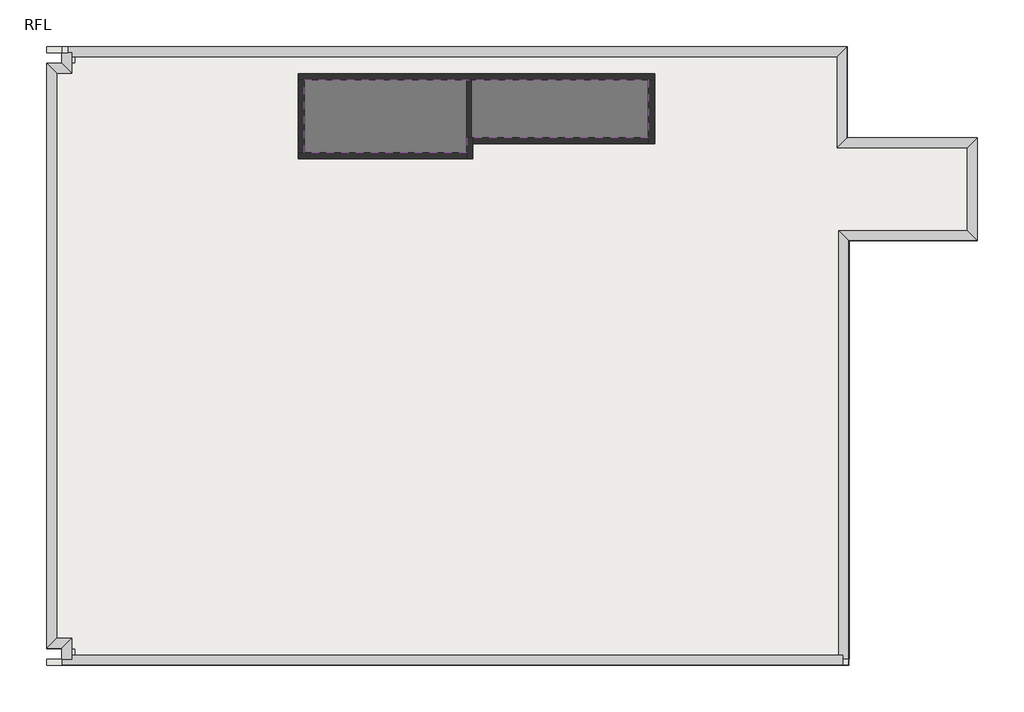
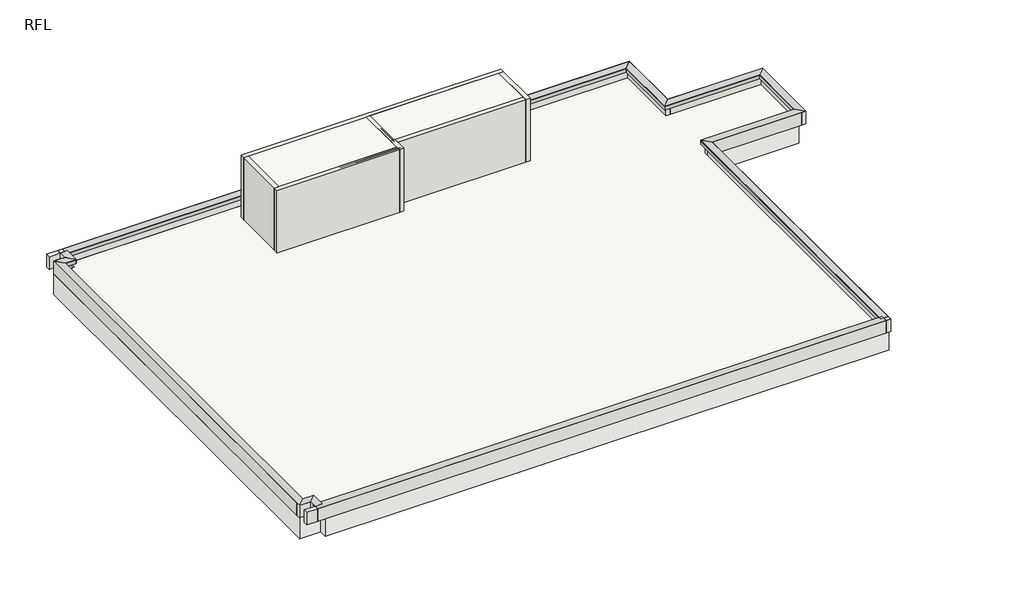
# One storey: 26 proxies, 21 walls, 2 slabs.
"""IFC4 building model written with IfcOpenShell, lengths in millimetres."""

from ifc_helpers import new_model, si_unit, frame, origin, place, context, project, spatial, polyline, outline, extrude, faceted_brep, element, save

model = new_model("IFC4")

# Units and contexts
model_context = context("Model", 3, world=origin())
ifc_project = project(units=[si_unit("LENGTHUNIT", "METRE", prefix="MILLI")], contexts=[model_context])

# Site, building, storey
site = spatial("IfcSite", under=ifc_project)
building = spatial("IfcBuilding", under=site)
storey = spatial("IfcBuildingStorey", under=building, Name="RFL", Elevation=32600.0)

# Proxies
placement = place(None, origin())
element("IfcBuildingElementProxy", 1, Name="Mass", at=placement, inside=storey, context=model_context, shape_type="SweptSolid", body=[
    extrude(outline(polyline([(-15395.9784025, 15749.6868987), (-15395.9784025, 13149.6868987), (-20945.9784025, 13149.6868987), (-20945.9784025, 15749.6868987), (-15395.9784025, 15749.6868987)])), frame((0.0, 0.0, 32600.0), z_axis=(0.0, 0.0, 1.0), x_axis=(1.0, 0.0, 0.0)), (0.0, 0.0, 1.0), 3000.0),
])
element("IfcBuildingElementProxy", 2, Name="Mass", at=placement, inside=storey, context=model_context, shape_type="SweptSolid", body=[
    extrude(outline(polyline([(-9395.9784025, 15749.6868987), (-9395.9784025, 13649.6868987), (-15395.9784025, 13649.6868987), (-15395.9784025, 15749.6868987), (-9395.9784025, 15749.6868987)])), frame((0.0, 0.0, 32600.0), z_axis=(0.0, 0.0, 1.0), x_axis=(1.0, 0.0, 0.0)), (0.0, 0.0, 1.0), 3000.0),
])
element("IfcBuildingElementProxy", 3, Name="Reveals", at=placement, inside=storey, context=model_context, shape_type="Brep", body=[
    faceted_brep([(-3275.9784025, 16419.6868987, 33170.0), (-3275.9784025, 16419.6868987, 33200.0), (-2945.9784025, 16749.6868987, 33200.0), (-3275.9784025, 13419.6868987, 33170.0), (-2945.9784025, 13749.6868987, 33200.0), (-3275.9784025, 13419.6868987, 33200.0)], [[[0, 1, 2]], [[3, 4, 5]], [[1, 0, 3, 5]], [[2, 1, 5, 4]], [[0, 2, 4, 3]]]),
])
element("IfcBuildingElementProxy", 4, Name="Wall Sweeps", at=placement, inside=storey, context=model_context, shape_type="Brep", body=[
    faceted_brep([(-3275.9784025, 16419.6868987, 33010.0), (-3275.9784025, 16419.6868987, 33170.0), (-2945.9784025, 16749.6868987, 33200.0), (-3145.9784025, 16549.6868987, 33010.0), (-3275.9784025, 13419.6868987, 33010.0), (-3145.9784025, 13549.6868987, 33010.0), (-2945.9784025, 13749.6868987, 33200.0), (-3275.9784025, 13419.6868987, 33170.0)], [[[0, 1, 2, 3]], [[4, 5, 6, 7]], [[1, 0, 4, 7]], [[2, 1, 7, 6]], [[3, 2, 6, 5]], [[0, 3, 5, 4]]]),
])
element("IfcBuildingElementProxy", 5, Name="Reveals", at=placement, inside=storey, context=model_context, shape_type="Brep", body=[
    faceted_brep([(-3275.9784025, 13419.6868987, 33170.0), (-3275.9784025, 13419.6868987, 33200.0), (-2945.9784025, 13749.6868987, 33200.0), (1024.0215975, 13419.6868987, 33170.0), (1354.0215975, 13749.6868987, 33200.0), (1024.0215975, 13419.6868987, 33200.0)], [[[0, 1, 2]], [[3, 4, 5]], [[1, 0, 3, 5]], [[2, 1, 5, 4]], [[0, 2, 4, 3]]]),
])
element("IfcBuildingElementProxy", 6, Name="Wall Sweeps", at=placement, inside=storey, context=model_context, shape_type="Brep", body=[
    faceted_brep([(-3275.9784025, 13419.6868987, 33010.0), (-3275.9784025, 13419.6868987, 33170.0), (-2945.9784025, 13749.6868987, 33200.0), (-3145.9784025, 13549.6868987, 33010.0), (1024.0215975, 13419.6868987, 33010.0), (1154.0215975, 13549.6868987, 33010.0), (1354.0215975, 13749.6868987, 33200.0), (1024.0215975, 13419.6868987, 33170.0)], [[[0, 1, 2, 3]], [[4, 5, 6, 7]], [[1, 0, 4, 7]], [[2, 1, 7, 6]], [[3, 2, 6, 5]], [[0, 3, 5, 4]]]),
])
element("IfcBuildingElementProxy", 7, Name="Reveals", at=placement, inside=storey, context=model_context, shape_type="Brep", body=[
    faceted_brep([(1024.0215975, 13419.6868987, 33170.0), (1024.0215975, 13419.6868987, 33200.0), (1354.0215975, 13749.6868987, 33200.0), (1024.0215975, 10679.6868987, 33170.0), (1354.0215975, 10349.6868987, 33200.0), (1024.0215975, 10679.6868987, 33200.0)], [[[0, 1, 2]], [[3, 4, 5]], [[1, 0, 3, 5]], [[2, 1, 5, 4]], [[0, 2, 4, 3]]]),
])
element("IfcBuildingElementProxy", 8, Name="Wall Sweeps", at=placement, inside=storey, context=model_context, shape_type="Brep", body=[
    faceted_brep([(1024.0215975, 13419.6868987, 33010.0), (1024.0215975, 13419.6868987, 33170.0), (1354.0215975, 13749.6868987, 33200.0), (1154.0215975, 13549.6868987, 33010.0), (1024.0215975, 10679.6868987, 33010.0), (1154.0215975, 10549.6868987, 33010.0), (1354.0215975, 10349.6868987, 33200.0), (1024.0215975, 10679.6868987, 33170.0)], [[[0, 1, 2, 3]], [[4, 5, 6, 7]], [[1, 0, 4, 7]], [[2, 1, 7, 6]], [[3, 2, 6, 5]], [[0, 3, 5, 4]]]),
])
element("IfcBuildingElementProxy", 9, Name="Reveals", at=placement, inside=storey, context=model_context, shape_type="Brep", body=[
    faceted_brep([(1024.0215975, 10679.6868987, 33170.0), (1024.0215975, 10679.6868987, 33200.0), (1354.0215975, 10349.6868987, 33200.0), (-3225.9784025, 10679.6868987, 33170.0), (-2895.9784025, 10349.6868987, 33200.0), (-3225.9784025, 10679.6868987, 33200.0)], [[[0, 1, 2]], [[3, 4, 5]], [[1, 0, 3, 5]], [[2, 1, 5, 4]], [[0, 2, 4, 3]]]),
])
element("IfcBuildingElementProxy", 10, Name="Wall Sweeps", at=placement, inside=storey, context=model_context, shape_type="Brep", body=[
    faceted_brep([(1024.0215975, 10679.6868987, 33010.0), (1024.0215975, 10679.6868987, 33170.0), (1354.0215975, 10349.6868987, 33200.0), (1154.0215975, 10549.6868987, 33010.0), (-3225.9784025, 10679.6868987, 33010.0), (-3095.9784025, 10549.6868987, 33010.0), (-2895.9784025, 10349.6868987, 33200.0), (-3225.9784025, 10679.6868987, 33170.0)], [[[0, 1, 2, 3]], [[4, 5, 6, 7]], [[1, 0, 4, 7]], [[2, 1, 7, 6]], [[3, 2, 6, 5]], [[0, 3, 5, 4]]]),
])
element("IfcBuildingElementProxy", 11, Name="Reveals", at=placement, inside=storey, context=model_context, shape_type="Brep", body=[
    faceted_brep([(-3225.9784025, 10679.6868987, 33170.0), (-3225.9784025, 10679.6868987, 33200.0), (-2895.9784025, 10349.6868987, 33200.0), (-3225.9784025, -3450.3131013, 33170.0), (-2895.9784025, -3450.3131013, 33200.0), (-3225.9784025, -3450.3131013, 33200.0)], [[[0, 1, 2]], [[3, 4, 5]], [[1, 0, 3, 5]], [[2, 1, 5, 4]], [[0, 2, 4, 3]]]),
])
element("IfcBuildingElementProxy", 12, Name="Wall Sweeps", at=placement, inside=storey, context=model_context, shape_type="Brep", body=[
    faceted_brep([(-3225.9784025, 10679.6868987, 33010.0), (-3225.9784025, 10679.6868987, 33170.0), (-2895.9784025, 10349.6868987, 33200.0), (-3095.9784025, 10549.6868987, 33010.0), (-3225.9784025, -3320.3131013, 33010.0), (-3095.9784025, -3450.3131013, 33010.0), (-2895.9784025, -3650.3131013, 33200.0), (-3225.9784025, -3320.3131013, 33170.0), (-2895.9784025, -3450.3131013, 33200.0)], [[[0, 1, 2, 3]], [[4, 5, 6, 7]], [[1, 0, 4, 7]], [[2, 1, 7, 6, 8]], [[3, 2, 8, 6, 5]], [[0, 3, 5, 4]]]),
])
element("IfcBuildingElementProxy", 13, Name="Reveals", at=placement, inside=storey, context=model_context, shape_type="SweptSolid", body=[
    extrude(outline(polyline([(-3320.3131013, 33170.0), (-3650.3131013, 33200.0), (-3320.3131013, 33200.0), (-3320.3131013, 33170.0)])), frame((-28845.9784025, 0.0, 0.0), z_axis=(1.0, 0.0, 0.0), x_axis=(0.0, 1.0, 0.0)), (0.0, 0.0, 1.0), 25750.0),
])
element("IfcBuildingElementProxy", 14, Name="Wall Sweeps", at=placement, inside=storey, context=model_context, shape_type="Brep", body=[
    faceted_brep([(-3225.9784025, -3320.3131013, 33010.0), (-3225.9784025, -3320.3131013, 33170.0), (-2895.9784025, -3650.3131013, 33200.0), (-3095.9784025, -3450.3131013, 33010.0), (-28515.9784025, -3320.3131013, 33010.0), (-28645.9784025, -3450.3131013, 33010.0), (-28845.9784025, -3650.3131013, 33200.0), (-28515.9784025, -3320.3131013, 33170.0)], [[[0, 1, 2, 3]], [[4, 5, 6, 7]], [[1, 0, 4, 7]], [[2, 1, 7, 6]], [[3, 2, 6, 5]], [[0, 3, 5, 4]]]),
])
element("IfcBuildingElementProxy", 15, Name="Reveals", at=placement, inside=storey, context=model_context, shape_type="Brep", body=[
    faceted_brep([(-28515.9784025, -3450.3131013, 33170.0), (-28515.9784025, -3450.3131013, 33200.0), (-28845.9784025, -3450.3131013, 33200.0), (-28515.9784025, -2765.3131013, 33170.0), (-28845.9784025, -3095.3131013, 33200.0), (-28515.9784025, -2765.3131013, 33200.0)], [[[0, 1, 2]], [[3, 4, 5]], [[1, 0, 3, 5]], [[2, 1, 5, 4]], [[0, 2, 4, 3]]]),
])
element("IfcBuildingElementProxy", 16, Name="Wall Sweeps", at=placement, inside=storey, context=model_context, shape_type="Brep", body=[
    faceted_brep([(-28515.9784025, -3320.3131013, 33010.0), (-28515.9784025, -3320.3131013, 33170.0), (-28845.9784025, -3650.3131013, 33200.0), (-28645.9784025, -3450.3131013, 33010.0), (-28515.9784025, -2765.3131013, 33010.0), (-28645.9784025, -2895.3131013, 33010.0), (-28845.9784025, -3095.3131013, 33200.0), (-28515.9784025, -2765.3131013, 33170.0)], [[[0, 1, 2, 3]], [[4, 5, 6, 7]], [[1, 0, 4, 7]], [[2, 1, 7, 6]], [[3, 2, 6, 5]], [[0, 3, 5, 4]]]),
])
element("IfcBuildingElementProxy", 17, Name="Reveals", at=placement, inside=storey, context=model_context, shape_type="Brep", body=[
    faceted_brep([(-28515.9784025, -2765.3131013, 33170.0), (-28515.9784025, -2765.3131013, 33200.0), (-28845.9784025, -3095.3131013, 33200.0), (-29015.9784025, -2765.3131013, 33170.0), (-29345.9784025, -3095.3131013, 33200.0), (-29015.9784025, -2765.3131013, 33200.0)], [[[0, 1, 2]], [[3, 4, 5]], [[1, 0, 3, 5]], [[2, 1, 5, 4]], [[0, 2, 4, 3]]]),
])
element("IfcBuildingElementProxy", 18, Name="Wall Sweeps", at=placement, inside=storey, context=model_context, shape_type="Brep", body=[
    faceted_brep([(-28515.9784025, -2765.3131013, 33010.0), (-28515.9784025, -2765.3131013, 33170.0), (-28845.9784025, -3095.3131013, 33200.0), (-28645.9784025, -2895.3131013, 33010.0), (-29015.9784025, -2765.3131013, 33010.0), (-29145.9784025, -2895.3131013, 33010.0), (-29345.9784025, -3095.3131013, 33200.0), (-29015.9784025, -2765.3131013, 33170.0)], [[[0, 1, 2, 3]], [[4, 5, 6, 7]], [[1, 0, 4, 7]], [[2, 1, 7, 6]], [[3, 2, 6, 5]], [[0, 3, 5, 4]]]),
])
element("IfcBuildingElementProxy", 19, Name="Reveals", at=placement, inside=storey, context=model_context, shape_type="Brep", body=[
    faceted_brep([(-29015.9784025, -2765.3131013, 33170.0), (-29015.9784025, -2765.3131013, 33200.0), (-29345.9784025, -3095.3131013, 33200.0), (-29015.9784025, 15869.6868987, 33170.0), (-29345.9784025, 16199.6868987, 33200.0), (-29015.9784025, 15869.6868987, 33200.0)], [[[0, 1, 2]], [[3, 4, 5]], [[1, 0, 3, 5]], [[2, 1, 5, 4]], [[0, 2, 4, 3]]]),
])
element("IfcBuildingElementProxy", 20, Name="Wall Sweeps", at=placement, inside=storey, context=model_context, shape_type="Brep", body=[
    faceted_brep([(-29015.9784025, -2765.3131013, 33010.0), (-29015.9784025, -2765.3131013, 33170.0), (-29345.9784025, -3095.3131013, 33200.0), (-29145.9784025, -2895.3131013, 33010.0), (-29015.9784025, 15869.6868987, 33010.0), (-29145.9784025, 15999.6868987, 33010.0), (-29345.9784025, 16199.6868987, 33200.0), (-29015.9784025, 15869.6868987, 33170.0)], [[[0, 1, 2, 3]], [[4, 5, 6, 7]], [[1, 0, 4, 7]], [[2, 1, 7, 6]], [[3, 2, 6, 5]], [[0, 3, 5, 4]]]),
])
element("IfcBuildingElementProxy", 21, Name="Reveals", at=placement, inside=storey, context=model_context, shape_type="Brep", body=[
    faceted_brep([(-29015.9784025, 15869.6868987, 33170.0), (-29015.9784025, 15869.6868987, 33200.0), (-29345.9784025, 16199.6868987, 33200.0), (-28515.9784025, 15869.6868987, 33170.0), (-28845.9784025, 16199.6868987, 33200.0), (-28515.9784025, 15869.6868987, 33200.0)], [[[0, 1, 2]], [[3, 4, 5]], [[1, 0, 3, 5]], [[2, 1, 5, 4]], [[0, 2, 4, 3]]]),
])
element("IfcBuildingElementProxy", 22, Name="Wall Sweeps", at=placement, inside=storey, context=model_context, shape_type="Brep", body=[
    faceted_brep([(-29015.9784025, 15869.6868987, 33010.0), (-29015.9784025, 15869.6868987, 33170.0), (-29345.9784025, 16199.6868987, 33200.0), (-29145.9784025, 15999.6868987, 33010.0), (-28515.9784025, 15869.6868987, 33010.0), (-28645.9784025, 15999.6868987, 33010.0), (-28845.9784025, 16199.6868987, 33200.0), (-28515.9784025, 15869.6868987, 33170.0)], [[[0, 1, 2, 3]], [[4, 5, 6, 7]], [[1, 0, 4, 7]], [[2, 1, 7, 6]], [[3, 2, 6, 5]], [[0, 3, 5, 4]]]),
])
element("IfcBuildingElementProxy", 23, Name="Reveals", at=placement, inside=storey, context=model_context, shape_type="Brep", body=[
    faceted_brep([(-28515.9784025, 15869.6868987, 33170.0), (-28515.9784025, 15869.6868987, 33200.0), (-28845.9784025, 16199.6868987, 33200.0), (-28515.9784025, 16549.6868987, 33170.0), (-28845.9784025, 16549.6868987, 33200.0), (-28515.9784025, 16549.6868987, 33200.0)], [[[0, 1, 2]], [[3, 4, 5]], [[1, 0, 3, 5]], [[2, 1, 5, 4]], [[0, 2, 4, 3]]]),
])
element("IfcBuildingElementProxy", 24, Name="Wall Sweeps", at=placement, inside=storey, context=model_context, shape_type="Brep", body=[
    faceted_brep([(-28515.9784025, 15869.6868987, 33010.0), (-28515.9784025, 15869.6868987, 33170.0), (-28845.9784025, 16199.6868987, 33200.0), (-28645.9784025, 15999.6868987, 33010.0), (-28515.9784025, 16419.6868987, 33010.0), (-28645.9784025, 16549.6868987, 33010.0), (-28845.9784025, 16749.6868987, 33200.0), (-28515.9784025, 16419.6868987, 33170.0), (-28845.9784025, 16549.6868987, 33200.0)], [[[0, 1, 2, 3]], [[4, 5, 6, 7]], [[1, 0, 4, 7]], [[2, 1, 7, 6, 8]], [[3, 2, 8, 6, 5]], [[0, 3, 5, 4]]]),
])
element("IfcBuildingElementProxy", 25, Name="Reveals", at=placement, inside=storey, context=model_context, shape_type="Brep", body=[
    faceted_brep([(-28645.9784025, 16419.6868987, 33170.0), (-28645.9784025, 16419.6868987, 33200.0), (-28645.9784025, 16749.6868987, 33200.0), (-3275.9784025, 16419.6868987, 33170.0), (-2945.9784025, 16749.6868987, 33200.0), (-3275.9784025, 16419.6868987, 33200.0)], [[[0, 1, 2]], [[3, 4, 5]], [[1, 0, 3, 5]], [[2, 1, 5, 4]], [[0, 2, 4, 3]]]),
])
element("IfcBuildingElementProxy", 26, Name="Wall Sweeps", at=placement, inside=storey, context=model_context, shape_type="Brep", body=[
    faceted_brep([(-28515.9784025, 16419.6868987, 33010.0), (-28515.9784025, 16419.6868987, 33170.0), (-28845.9784025, 16749.6868987, 33200.0), (-28645.9784025, 16549.6868987, 33010.0), (-3275.9784025, 16419.6868987, 33010.0), (-3145.9784025, 16549.6868987, 33010.0), (-2945.9784025, 16749.6868987, 33200.0), (-3275.9784025, 16419.6868987, 33170.0)], [[[0, 1, 2, 3]], [[4, 5, 6, 7]], [[1, 0, 4, 7]], [[2, 1, 7, 6]], [[3, 2, 6, 5]], [[0, 3, 5, 4]]]),
])

# Slabs
element("IfcSlab", 27, at=placement, inside=storey, context=model_context, shape_type="SweptSolid", body=[
    extrude(outline(polyline([(-3145.9784025, 16549.6868987), (-3145.9784025, 13549.6868987), (1154.0215975, 13549.6868987), (1154.0215975, 10549.6868987), (-2870.9784025, 10549.6868987), (-2870.9784025, -3450.3131013), (-28395.9784025, -3450.3131013), (-28395.9784025, -3105.3131013), (-29345.9784025, -3105.3131013), (-29345.9784025, 16194.6868987), (-28395.9784025, 16194.6868987), (-28395.9784025, 16549.6868987), (-3145.9784025, 16549.6868987)])), frame((0.0, 0.0, 31600.0), z_axis=(0.0, 0.0, 1.0), x_axis=(1.0, 0.0, 0.0)), (0.0, 0.0, 1.0), 1000.0),
])
element("IfcSlab", 28, ObjectType="RC150", at=placement, inside=storey, context=model_context, shape_type="SweptSolid", body=[
    extrude(outline(polyline([(-9495.9784025, 15649.6868987), (-9495.9784025, 13749.6868987), (-15495.9784025, 13749.6868987), (-15495.9784025, 13249.6868987), (-20845.9784025, 13249.6868987), (-20845.9784025, 15649.6868987), (-9495.9784025, 15649.6868987)])), frame((0.0, 0.0, 35450.0), z_axis=(0.0, 0.0, 1.0), x_axis=(1.0, 0.0, 0.0)), (0.0, 0.0, 1.0), 150.0),
])

# Walls
element("IfcWall", 29, at=placement, inside=storey, context=model_context, shape_type="Brep", body=[
    faceted_brep([(-21045.9784025, 15649.6868987, 32600.0), (-20845.9784025, 15649.6868987, 32600.0), (-15495.9784025, 15649.6868987, 32600.0), (-15345.9784025, 15649.6868987, 32600.0), (-9495.9784025, 15649.6868987, 32600.0), (-9295.9784025, 15649.6868987, 32600.0), (-9295.9784025, 15649.6868987, 35600.0), (-9495.9784025, 15649.6868987, 35600.0), (-15345.9784025, 15649.6868987, 35600.0), (-15495.9784025, 15649.6868987, 35600.0), (-20845.9784025, 15649.6868987, 35600.0), (-21045.9784025, 15649.6868987, 35600.0), (-21045.9784025, 15849.6868987, 32600.0), (-21045.9784025, 15849.6868987, 35600.0), (-9295.9784025, 15849.6868987, 35600.0), (-9295.9784025, 15849.6868987, 32600.0)], [[[0, 1, 2, 3, 4, 5, 6, 7, 8, 9, 10, 11]], [[12, 13, 14, 15]], [[5, 4, 3, 2, 1, 0, 12, 15]], [[11, 10, 9, 8, 7, 6, 14, 13]], [[6, 5, 15, 14]], [[0, 11, 13, 12]]]),
])
element("IfcWall", 30, at=placement, inside=storey, context=model_context, shape_type="Brep", body=[
    faceted_brep([(-9495.9784025, 15649.6868987, 32600.0), (-9495.9784025, 13749.6868987, 32600.0), (-9495.9784025, 13549.6868987, 32600.0), (-9495.9784025, 13549.6868987, 35600.0), (-9495.9784025, 13749.6868987, 35600.0), (-9495.9784025, 15649.6868987, 35600.0), (-9295.9784025, 15649.6868987, 32600.0), (-9295.9784025, 15649.6868987, 35600.0), (-9295.9784025, 13549.6868987, 35600.0), (-9295.9784025, 13549.6868987, 32600.0)], [[[0, 1, 2, 3, 4, 5]], [[6, 7, 8, 9]], [[2, 1, 0, 6, 9]], [[5, 4, 3, 8, 7]], [[0, 5, 7, 6]], [[3, 2, 9, 8]]]),
])
element("IfcWall", 31, at=placement, inside=storey, context=model_context, shape_type="SweptSolid", body=[
    extrude(outline(polyline([(-15295.9784025, 13749.6868987), (-9495.9784025, 13749.6868987), (-9495.9784025, 13549.6868987), (-15295.9784025, 13549.6868987), (-15295.9784025, 13749.6868987)])), frame((0.0, 0.0, 32600.0), z_axis=(0.0, 0.0, 1.0), x_axis=(1.0, 0.0, 0.0)), (0.0, 0.0, 1.0), 3000.0),
])
element("IfcWall", 32, at=placement, inside=storey, context=model_context, shape_type="Brep", body=[
    faceted_brep([(-15495.9784025, 13749.6868987, 32600.0), (-15495.9784025, 13249.6868987, 32600.0), (-15495.9784025, 13049.6868987, 32600.0), (-15495.9784025, 13049.6868987, 35600.0), (-15495.9784025, 13249.6868987, 35600.0), (-15495.9784025, 13749.6868987, 35600.0), (-15295.9784025, 13749.6868987, 32600.0), (-15295.9784025, 13749.6868987, 35600.0), (-15295.9784025, 13549.6868987, 35600.0), (-15295.9784025, 13049.6868987, 35600.0), (-15295.9784025, 13049.6868987, 32600.0), (-15295.9784025, 13549.6868987, 32600.0), (-15345.9784025, 13749.6868987, 32600.0), (-15345.9784025, 13749.6868987, 35600.0)], [[[0, 1, 2, 3, 4, 5]], [[6, 7, 8, 9, 10, 11]], [[2, 1, 0, 12, 6, 11, 10]], [[5, 4, 3, 9, 8, 7, 13]], [[0, 5, 13, 7, 6, 12]], [[3, 2, 10, 9]]]),
])
element("IfcWall", 33, at=placement, inside=storey, context=model_context, shape_type="Brep", body=[
    faceted_brep([(-15495.9784025, 13249.6868987, 32600.0), (-20845.9784025, 13249.6868987, 32600.0), (-21045.9784025, 13249.6868987, 32600.0), (-21045.9784025, 13249.6868987, 35600.0), (-20845.9784025, 13249.6868987, 35600.0), (-15495.9784025, 13249.6868987, 35600.0), (-15495.9784025, 13049.6868987, 32600.0), (-15495.9784025, 13049.6868987, 35600.0), (-21045.9784025, 13049.6868987, 35600.0), (-21045.9784025, 13049.6868987, 32600.0)], [[[0, 1, 2, 3, 4, 5]], [[6, 7, 8, 9]], [[2, 1, 0, 6, 9]], [[5, 4, 3, 8, 7]], [[0, 5, 7, 6]], [[3, 2, 9, 8]]]),
])
element("IfcWall", 34, at=placement, inside=storey, context=model_context, shape_type="SweptSolid", body=[
    extrude(outline(polyline([(-20845.9784025, 15649.6868987), (-20845.9784025, 13249.6868987), (-21045.9784025, 13249.6868987), (-21045.9784025, 15649.6868987), (-20845.9784025, 15649.6868987)])), frame((0.0, 0.0, 32600.0), z_axis=(0.0, 0.0, 1.0), x_axis=(1.0, 0.0, 0.0)), (0.0, 0.0, 1.0), 3000.0),
])
element("IfcWall", 35, at=placement, inside=storey, context=model_context, shape_type="SweptSolid", body=[
    extrude(outline(polyline([(-15345.9784025, 15649.6868987), (-15345.9784025, 13749.6868987), (-15495.9784025, 13749.6868987), (-15495.9784025, 15649.6868987), (-15345.9784025, 15649.6868987)])), frame((0.0, 0.0, 32600.0), z_axis=(0.0, 0.0, 1.0), x_axis=(1.0, 0.0, 0.0)), (0.0, 0.0, 1.0), 3000.0),
])
element("IfcWall", 36, at=placement, inside=storey, context=model_context, shape_type="SweptSolid", body=[
    extrude(outline(polyline([(-28845.9784025, 16549.6868987), (-29345.9784025, 16549.6868987), (-29345.9784025, 16749.6868987), (-28845.9784025, 16749.6868987), (-28845.9784025, 16549.6868987)])), frame((0.0, 0.0, 32600.0), z_axis=(0.0, 0.0, 1.0), x_axis=(1.0, 0.0, 0.0)), (0.0, 0.0, 1.0), 600.0),
])
element("IfcWall", 37, at=placement, inside=storey, context=model_context, shape_type="Brep", body=[
    faceted_brep([(-3145.9784025, 16549.6868987, 32600.0), (-3145.9784025, 13549.6868987, 32600.0), (-3145.9784025, 13549.6868987, 33010.0), (-3145.9784025, 16549.6868987, 33010.0), (-2945.9784025, 13549.6868987, 32600.0), (-2945.9784025, 13749.6868987, 32600.0), (-2945.9784025, 16549.6868987, 32600.0), (-2945.9784025, 16549.6868987, 33200.0), (-2945.9784025, 13749.6868987, 33200.0), (-2945.9784025, 13549.6868987, 33010.0)], [[[0, 1, 2, 3]], [[4, 5, 6, 7, 8, 9]], [[1, 0, 6, 5, 4]], [[2, 8, 7, 3]], [[7, 6, 0, 3]], [[1, 4, 9, 2]], [[8, 2, 9]]]),
])
element("IfcWall", 38, at=placement, inside=storey, context=model_context, shape_type="Brep", body=[
    faceted_brep([(-2945.9784025, 13549.6868987, 32600.0), (1154.0215975, 13549.6868987, 32600.0), (1354.0215975, 13549.6868987, 32600.0), (1354.0215975, 13549.6868987, 33200.0), (1154.0215975, 13549.6868987, 33010.0), (-2945.9784025, 13549.6868987, 33010.0), (1354.0215975, 13749.6868987, 32600.0), (-2945.9784025, 13749.6868987, 32600.0), (-2945.9784025, 13749.6868987, 33200.0), (1354.0215975, 13749.6868987, 33200.0)], [[[0, 1, 2, 3, 4, 5]], [[6, 7, 8, 9]], [[2, 1, 0, 7, 6]], [[4, 9, 8, 5]], [[8, 7, 0, 5]], [[3, 2, 6, 9]], [[9, 4, 3]]]),
])
element("IfcWall", 39, at=placement, inside=storey, context=model_context, shape_type="Brep", body=[
    faceted_brep([(1154.0215975, 13549.6868987, 32600.0), (1154.0215975, 10549.6868987, 32600.0), (1154.0215975, 10349.6868987, 32600.0), (1154.0215975, 10349.6868987, 33200.0), (1154.0215975, 10549.6868987, 33010.0), (1154.0215975, 13549.6868987, 33010.0), (1354.0215975, 10349.6868987, 32600.0), (1354.0215975, 13549.6868987, 32600.0), (1354.0215975, 13549.6868987, 33200.0), (1354.0215975, 10349.6868987, 33200.0)], [[[0, 1, 2, 3, 4, 5]], [[6, 7, 8, 9]], [[2, 1, 0, 7, 6]], [[4, 9, 8, 5]], [[8, 7, 0, 5]], [[3, 2, 6, 9]], [[9, 4, 3]]]),
])
element("IfcWall", 40, at=placement, inside=storey, context=model_context, shape_type="Brep", body=[
    faceted_brep([(1154.0215975, 10549.6868987, 32600.0), (-3095.9784025, 10549.6868987, 32600.0), (-3095.9784025, 10549.6868987, 33010.0), (1154.0215975, 10549.6868987, 33010.0), (-3095.9784025, 10349.6868987, 32600.0), (-2895.9784025, 10349.6868987, 32600.0), (1154.0215975, 10349.6868987, 32600.0), (1154.0215975, 10349.6868987, 33200.0), (-2895.9784025, 10349.6868987, 33200.0), (-3095.9784025, 10349.6868987, 33010.0)], [[[0, 1, 2, 3]], [[4, 5, 6, 7, 8, 9]], [[1, 0, 6, 5, 4]], [[2, 8, 7, 3]], [[7, 6, 0, 3]], [[1, 4, 9, 2]], [[8, 2, 9]]]),
])
element("IfcWall", 41, at=placement, inside=storey, context=model_context, shape_type="Brep", body=[
    faceted_brep([(-3095.9784025, -3450.3131013, 33200.0), (-3095.9784025, -3450.3131013, 33181.8181818), (-3095.9784025, -3650.3131013, 33200.0), (-3095.9784025, 10349.6868987, 32600.0), (-3095.9784025, -3450.3131013, 32600.0), (-3095.9784025, -3650.3131013, 32600.0), (-3095.9784025, -3450.3131013, 33010.0), (-3095.9784025, 10349.6868987, 33010.0), (-2895.9784025, -3650.3131013, 32600.0), (-2895.9784025, -3450.3131013, 32600.0), (-2895.9784025, 10349.6868987, 32600.0), (-2895.9784025, 10349.6868987, 33200.0), (-2895.9784025, -3450.3131013, 33200.0), (-2895.9784025, -3650.3131013, 33200.0), (-2895.9784025, -3650.3131013, 33200.0)], [[[0, 1, 2]], [[3, 4, 5, 2, 6, 7]], [[8, 9, 10, 11, 12, 13]], [[5, 4, 3, 10, 9, 8]], [[12, 0, 2, 13]], [[1, 0, 12]], [[14, 1, 12]], [[6, 14, 12, 11, 7]], [[11, 10, 3, 7]], [[2, 5, 8, 13]], [[14, 2, 1]], [[14, 6, 2]]]),
])
element("IfcWall", 42, at=placement, inside=storey, context=model_context, shape_type="Brep", body=[
    faceted_brep([(-3095.9784025, -3450.3131013, 32600.0), (-28645.9784025, -3450.3131013, 32600.0), (-28845.9784025, -3450.3131013, 32600.0), (-28845.9784025, -3450.3131013, 33181.8181818), (-28826.8396465, -3450.3131013, 33181.8181818), (-28645.9784025, -3450.3131013, 33010.0), (-3095.9784025, -3450.3131013, 33010.0), (-28845.9784025, -3650.3131013, 32600.0), (-3095.9784025, -3650.3131013, 32600.0), (-3095.9784025, -3650.3131013, 33200.0), (-28845.9784025, -3650.3131013, 33200.0)], [[[0, 1, 2, 3, 4, 5, 6]], [[7, 8, 9, 10]], [[2, 1, 0, 8, 7]], [[3, 10, 4]], [[5, 10, 9, 6]], [[9, 8, 0, 6]], [[10, 5, 4]], [[2, 7, 10, 3]]]),
])
element("IfcWall", 43, at=placement, inside=storey, context=model_context, shape_type="Brep", body=[
    faceted_brep([(-28645.9784025, -3450.3131013, 32600.0), (-28645.9784025, -2895.3131013, 32600.0), (-28645.9784025, -2895.3131013, 33010.0), (-28645.9784025, -3450.3131013, 33010.0), (-28845.9784025, -2895.3131013, 32600.0), (-28845.9784025, -3095.3131013, 32600.0), (-28845.9784025, -3450.3131013, 32600.0), (-28845.9784025, -3450.3131013, 33181.8181818), (-28845.9784025, -3320.3131013, 33170.0), (-28845.9784025, -3320.3131013, 33200.0), (-28845.9784025, -3095.3131013, 33200.0), (-28845.9784025, -2895.3131013, 33010.0), (-28814.3994551, -3320.3131013, 33170.0), (-28826.8396465, -3450.3131013, 33181.8181818)], [[[0, 1, 2, 3]], [[4, 5, 6, 7, 8, 9, 10, 11]], [[1, 0, 6, 5, 4]], [[3, 2, 10, 9, 12, 13]], [[1, 4, 11, 2]], [[10, 2, 11]], [[6, 0, 3, 13, 7]], [[8, 12, 9]], [[12, 8, 7, 13]]]),
])
element("IfcWall", 44, at=placement, inside=storey, context=model_context, shape_type="Brep", body=[
    faceted_brep([(-28845.9784025, -2895.3131013, 32600.0), (-29145.9784025, -2895.3131013, 32600.0), (-29345.9784025, -2895.3131013, 32600.0), (-29345.9784025, -2895.3131013, 33200.0), (-29145.9784025, -2895.3131013, 33010.0), (-28845.9784025, -2895.3131013, 33010.0), (-29345.9784025, -3095.3131013, 32600.0), (-28845.9784025, -3095.3131013, 32600.0), (-28845.9784025, -3095.3131013, 33200.0), (-29345.9784025, -3095.3131013, 33200.0)], [[[0, 1, 2, 3, 4, 5]], [[6, 7, 8, 9]], [[2, 1, 0, 7, 6]], [[4, 9, 8, 5]], [[8, 7, 0, 5]], [[3, 2, 6, 9]], [[9, 4, 3]]]),
])
element("IfcWall", 45, at=placement, inside=storey, context=model_context, shape_type="Brep", body=[
    faceted_brep([(-29145.9784025, -2895.3131013, 32600.0), (-29145.9784025, 15999.6868987, 32600.0), (-29145.9784025, 16199.6868987, 32600.0), (-29145.9784025, 16199.6868987, 33200.0), (-29145.9784025, 15999.6868987, 33010.0), (-29145.9784025, -2895.3131013, 33010.0), (-29345.9784025, 16199.6868987, 32600.0), (-29345.9784025, -2895.3131013, 32600.0), (-29345.9784025, -2895.3131013, 33200.0), (-29345.9784025, 16199.6868987, 33200.0)], [[[0, 1, 2, 3, 4, 5]], [[6, 7, 8, 9]], [[2, 1, 0, 7, 6]], [[4, 9, 8, 5]], [[8, 7, 0, 5]], [[3, 2, 6, 9]], [[9, 4, 3]]]),
])
element("IfcWall", 46, at=placement, inside=storey, context=model_context, shape_type="SweptSolid", body=[
    extrude(outline(polyline([(16199.6868987, 33200.0), (16199.6868987, 32600.0), (15999.6868987, 32600.0), (15999.6868987, 33010.0), (16199.6868987, 33200.0)])), frame((-29145.9784025, 0.0, 0.0), z_axis=(1.0, 0.0, 0.0), x_axis=(0.0, 1.0, 0.0)), (0.0, 0.0, 1.0), 300.0),
])
element("IfcWall", 47, at=placement, inside=storey, context=model_context, shape_type="Brep", body=[
    faceted_brep([(-28645.9784025, 16549.6868987, 33200.0), (-28645.9784025, 16549.6868987, 33181.8181818), (-28645.9784025, 16749.6868987, 33200.0), (-28645.9784025, 15999.6868987, 32600.0), (-28645.9784025, 16549.6868987, 32600.0), (-28645.9784025, 16749.6868987, 32600.0), (-28645.9784025, 16549.6868987, 33010.0), (-28645.9784025, 15999.6868987, 33010.0), (-28845.9784025, 16749.6868987, 32600.0), (-28845.9784025, 16549.6868987, 32600.0), (-28845.9784025, 16199.6868987, 32600.0), (-28845.9784025, 15999.6868987, 32600.0), (-28845.9784025, 15999.6868987, 33010.0), (-28845.9784025, 16199.6868987, 33200.0), (-28845.9784025, 16549.6868987, 33200.0), (-28845.9784025, 16749.6868987, 33200.0), (-28845.9784025, 16749.6868987, 33200.0)], [[[0, 1, 2]], [[3, 4, 5, 2, 6, 7]], [[8, 9, 10, 11, 12, 13, 14, 15]], [[5, 4, 3, 11, 10, 9, 8]], [[14, 0, 2, 15]], [[1, 0, 14]], [[16, 1, 14]], [[13, 7, 6, 16, 14]], [[11, 3, 7, 12]], [[7, 13, 12]], [[16, 2, 1]], [[16, 6, 2]], [[2, 5, 8, 15]]]),
])
element("IfcWall", 48, at=placement, inside=storey, context=model_context, shape_type="SweptSolid", body=[
    extrude(outline(polyline([(-29345.9784025, -3450.3131013), (-28845.9784025, -3450.3131013), (-28845.9784025, -3650.3131013), (-29345.9784025, -3650.3131013), (-29345.9784025, -3450.3131013)])), frame((0.0, 0.0, 32600.0), z_axis=(0.0, 0.0, 1.0), x_axis=(1.0, 0.0, 0.0)), (0.0, 0.0, 1.0), 600.0),
])
element("IfcWall", 49, at=placement, inside=storey, context=model_context, shape_type="Brep", body=[
    faceted_brep([(-28645.9784025, 16549.6868987, 32600.0), (-3145.9784025, 16549.6868987, 32600.0), (-2945.9784025, 16549.6868987, 32600.0), (-2945.9784025, 16549.6868987, 33200.0), (-3145.9784025, 16549.6868987, 33010.0), (-28645.9784025, 16549.6868987, 33010.0), (-2945.9784025, 16749.6868987, 32600.0), (-28645.9784025, 16749.6868987, 32600.0), (-28645.9784025, 16749.6868987, 33200.0), (-2945.9784025, 16749.6868987, 33200.0)], [[[0, 1, 2, 3, 4, 5]], [[6, 7, 8, 9]], [[2, 1, 0, 7, 6]], [[3, 2, 6, 9]], [[9, 4, 3]], [[4, 9, 8, 5]], [[8, 7, 0, 5]]]),
])

save(model, "model.ifc")
